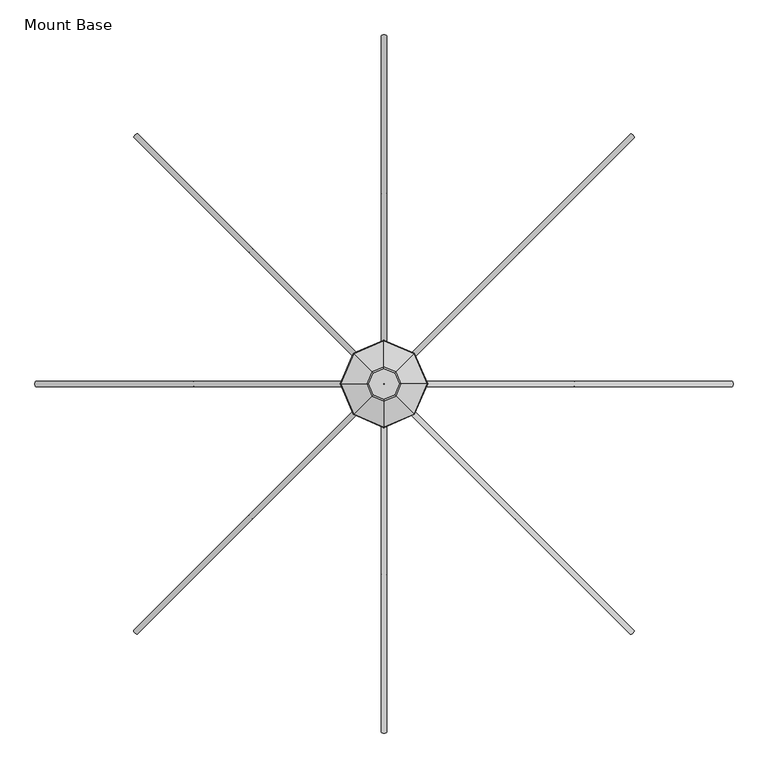
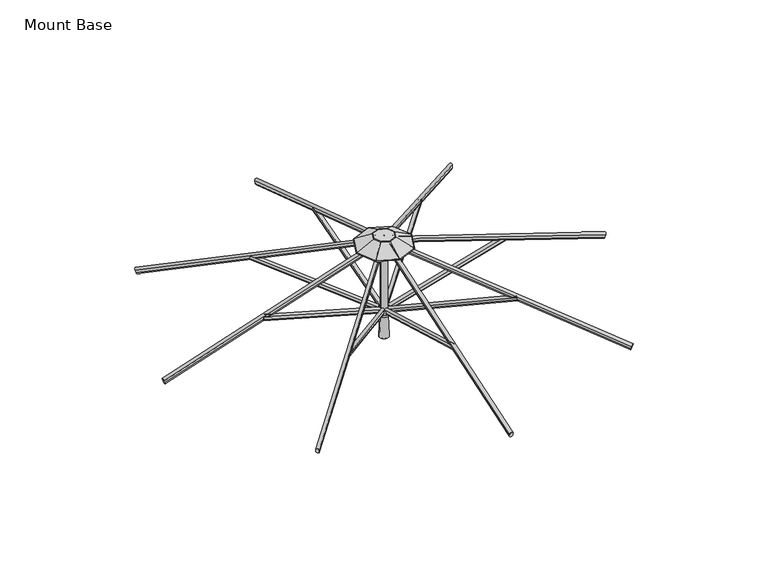
"""IFC4 building model written with IfcOpenShell, lengths in millimetres: furniture geometry, Mount Base."""

from ifc_helpers import new_model, si_unit, point, frame, frame_2d, origin, place, context, project, spatial, polyline, circle_curve, ellipse_curve, trimmed, segment, composite_curve, outline, extrude, source, transform, mapped, element, save
from ifc_brep_helpers import plane_surface, cylinder_surface, revolved_surface, advanced_brep


def mount_base_ec8eb699(model_context):
    return source(origin(), model_context, "Body", "SolidModel", [
        extrude(outline(composite_curve([segment(polyline([(12.9834408, -8.4804821), (12.9834408, -22.8946349)]), True, "CONTINUOUS"), segment(trimmed(circle_curve(frame_2d((4.0299408, -22.8946349)), 8.9535), [point((12.9834408, -22.8946349))], [point((-4.9235592, -22.8946349))], False, "CARTESIAN"), True, "CONTINUOUS"), segment(polyline([(-4.9235592, -22.8946349), (-4.9235592, -8.4804821)]), True, "CONTINUOUS"), segment(trimmed(circle_curve(frame_2d((4.0299408, -8.4804821)), 8.9535), [point((-4.9235592, -8.4804821))], [point((12.9834408, -8.4804821))], False, "CARTESIAN"), True, "CONTINUOUS")], self_intersect=False)), frame((4.0299408, -32.8443862, 2016.9430412), z_axis=(0.0, -0.9618942046764378, 0.2734219066020191), x_axis=(-1.0, 0.0, 0.0)), (0.0, 0.0, 1.0), 673.1),
        extrude(outline(composite_curve([segment(polyline([(12.9834408, -8.4804821), (12.9834408, -22.8946349)]), True, "CONTINUOUS"), segment(trimmed(circle_curve(frame_2d((4.0299408, -22.8946349)), 8.9535), [point((12.9834408, -22.8946349))], [point((-4.9235592, -22.8946349))], False, "CARTESIAN"), True, "CONTINUOUS"), segment(polyline([(-4.9235592, -22.8946349), (-4.9235592, -8.4804821)]), True, "CONTINUOUS"), segment(trimmed(circle_curve(frame_2d((4.0299408, -8.4804821)), 8.9535), [point((-4.9235592, -8.4804821))], [point((12.9834408, -8.4804821))], False, "CARTESIAN"), True, "CONTINUOUS")], self_intersect=False)), frame((-28.8144454, -8.0598816, 2016.9430412), z_axis=(-0.9618942046764378, 0.0, 0.2734219066020191), x_axis=(0.0, 1.0, 0.0)), (0.0, 0.0, 1.0), 673.1),
        extrude(outline(composite_curve([segment(polyline([(12.9834408, -8.4804821), (12.9834408, -22.8946349)]), True, "CONTINUOUS"), segment(trimmed(circle_curve(frame_2d((4.0299408, -22.8946349)), 8.9535), [point((12.9834408, -22.8946349))], [point((-4.9235592, -22.8946349))], False, "CARTESIAN"), True, "CONTINUOUS"), segment(polyline([(-4.9235592, -22.8946349), (-4.9235592, -8.4804821)]), True, "CONTINUOUS"), segment(trimmed(circle_curve(frame_2d((4.0299408, -8.4804821)), 8.9535), [point((-4.9235592, -8.4804821))], [point((12.9834408, -8.4804821))], False, "CARTESIAN"), True, "CONTINUOUS")], self_intersect=False)), frame((-4.0299408, 24.7845046, 2016.9430412), z_axis=(0.0, 0.9618942046764378, 0.2734219066020191), x_axis=(1.0, 0.0, 0.0)), (0.0, 0.0, 1.0), 673.1),
        extrude(outline(composite_curve([segment(trimmed(circle_curve(frame_2d((4.0299408, 7.3267917)), 8.9535), [point((12.9834408, 7.3267917))], [point((-4.9235592, 7.3267917))], False, "CARTESIAN"), True, "CONTINUOUS"), segment(polyline([(-4.9235592, 7.3267917), (-4.9235592, 21.7411303)]), True, "CONTINUOUS"), segment(trimmed(circle_curve(frame_2d((4.0299408, 21.7411303)), 8.9535), [point((-4.9235592, 21.7411303))], [point((12.9834408, 21.7411303))], False, "CARTESIAN"), True, "CONTINUOUS"), segment(polyline([(12.9834408, 21.7411303), (12.9834408, 7.3267917)]), True, "CONTINUOUS")], self_intersect=False)), frame((4.0299408, -1221.9652781, 2021.9166491), z_axis=(0.0, 0.9498609859621477, 0.31267252413190505), x_axis=(-1.0, 0.0, 0.0)), (0.0, 0.0, 1.0), 1244.6),
        extrude(outline(composite_curve([segment(trimmed(circle_curve(frame_2d((4.0299408, 7.3267917)), 8.9535), [point((12.9834408, 7.3267917))], [point((-4.9235592, 7.3267917))], False, "CARTESIAN"), True, "CONTINUOUS"), segment(polyline([(-4.9235592, 7.3267917), (-4.9235592, 21.7411303)]), True, "CONTINUOUS"), segment(trimmed(circle_curve(frame_2d((4.0299408, 21.7411303)), 8.9535), [point((-4.9235592, 21.7411303))], [point((12.9834408, 21.7411303))], False, "CARTESIAN"), True, "CONTINUOUS"), segment(polyline([(12.9834408, 21.7411303), (12.9834408, 7.3267917)]), True, "CONTINUOUS")], self_intersect=False)), frame((-1217.9353374, -8.0598816, 2021.9166491), z_axis=(0.9498609859621477, 0.0, 0.31267252413190505), x_axis=(0.0, 1.0, 0.0)), (0.0, 0.0, 1.0), 1244.6),
        extrude(outline(composite_curve([segment(trimmed(circle_curve(frame_2d((4.0299408, 7.3267917)), 8.9535), [point((12.9834408, 7.3267917))], [point((-4.9235592, 7.3267917))], False, "CARTESIAN"), True, "CONTINUOUS"), segment(polyline([(-4.9235592, 7.3267917), (-4.9235592, 21.7411303)]), True, "CONTINUOUS"), segment(trimmed(circle_curve(frame_2d((4.0299408, 21.7411303)), 8.9535), [point((-4.9235592, 21.7411303))], [point((12.9834408, 21.7411303))], False, "CARTESIAN"), True, "CONTINUOUS"), segment(polyline([(12.9834408, 21.7411303), (12.9834408, 7.3267917)]), True, "CONTINUOUS")], self_intersect=False)), frame((-4.0299408, 1213.9053966, 2021.9166491), z_axis=(0.0, -0.9498609859621477, 0.31267252413190505), x_axis=(1.0, 0.0, 0.0)), (0.0, 0.0, 1.0), 1244.6),
        extrude(outline(composite_curve([segment(trimmed(circle_curve(frame_2d((4.0299408, 7.3267917)), 8.9535), [point((12.9834408, 7.3267917))], [point((-4.9235592, 7.3267917))], False, "CARTESIAN"), True, "CONTINUOUS"), segment(polyline([(-4.9235592, 7.3267917), (-4.9235592, 21.7411303)]), True, "CONTINUOUS"), segment(trimmed(circle_curve(frame_2d((4.0299408, 21.7411303)), 8.9535), [point((-4.9235592, 21.7411303))], [point((12.9834408, 21.7411303))], False, "CARTESIAN"), True, "CONTINUOUS"), segment(polyline([(12.9834408, 21.7411303), (12.9834408, 7.3267917)]), True, "CONTINUOUS")], self_intersect=False)), frame((1217.9353374, 0.0, 2021.9166491), z_axis=(-0.9498609859621477, 0.0, 0.31267252413190505), x_axis=(0.0, -1.0, 0.0)), (0.0, 0.0, 1.0), 1244.6),
        extrude(outline(composite_curve([segment(polyline([(12.9834408, -8.4804821), (12.9834408, -22.8946349)]), True, "CONTINUOUS"), segment(trimmed(circle_curve(frame_2d((4.0299408, -22.8946349)), 8.9535), [point((12.9834408, -22.8946349))], [point((-4.9235592, -22.8946349))], False, "CARTESIAN"), True, "CONTINUOUS"), segment(polyline([(-4.9235592, -22.8946349), (-4.9235592, -8.4804821)]), True, "CONTINUOUS"), segment(trimmed(circle_curve(frame_2d((4.0299408, -8.4804821)), 8.9535), [point((-4.9235592, -8.4804821))], [point((12.9834408, -8.4804821))], False, "CARTESIAN"), True, "CONTINUOUS")], self_intersect=False)), frame((28.8144454, 0.0, 2016.9430412), z_axis=(0.9618942046764378, 0.0, 0.2734219066020191), x_axis=(0.0, -1.0, 0.0)), (0.0, 0.0, 1.0), 673.1),
        extrude(outline(composite_curve([segment(trimmed(circle_curve(frame_2d((-0.4115858, 9.2017124)), 8.947892), [point((8.536306, 9.1998745))], [point((-9.3594776, 9.2035502))], False, "CARTESIAN"), True, "CONTINUOUS"), segment(polyline([(-9.3594776, 9.2035502), (-9.3565684, 23.3657902)]), True, "CONTINUOUS"), segment(trimmed(circle_curve(frame_2d((-0.4086766, 23.3654226)), 8.9478918), [point((-9.3565684, 23.3657902))], [point((8.5392153, 23.3654226))], False, "CARTESIAN"), True, "CONTINUOUS"), segment(polyline([(8.5392153, 23.3654226), (8.536306, 9.1998745)]), True, "CONTINUOUS")], self_intersect=False)), frame((22.5882702, -26.6262435, 2018.2404158), z_axis=(0.6795938189832164, -0.6798354869216663, 0.27563735581700183), x_axis=(0.7072324735233075, 0.7069810665032723, 0.0)), (0.0, 0.0, 1.0), 662.5262868),
        extrude(outline(composite_curve([segment(trimmed(circle_curve(frame_2d((-0.4115858, 9.2017124)), 8.947892), [point((8.536306, 9.1998747))], [point((-9.3594776, 9.2035504))], False, "CARTESIAN"), True, "CONTINUOUS"), segment(polyline([(-9.3594776, 9.2035504), (-9.3565681, 23.3657902)]), True, "CONTINUOUS"), segment(trimmed(circle_curve(frame_2d((-0.4086766, 23.3654226)), 8.9478915), [point((-9.3565681, 23.3657902))], [point((8.5392148, 23.3654226))], False, "CARTESIAN"), True, "CONTINUOUS"), segment(polyline([(8.5392148, 23.3654226), (8.536306, 9.1998747)]), True, "CONTINUOUS")], self_intersect=False)), frame((-22.5963027, -26.618211, 2018.2404158), z_axis=(-0.6798354869216743, -0.6795938189832084, 0.2756373558170019), x_axis=(0.706981066503264, -0.7072324735233159, 0.0)), (0.0, 0.0, 1.0), 662.5262868),
        extrude(outline(composite_curve([segment(trimmed(circle_curve(frame_2d((-0.4115857, 9.2017124)), 8.947892), [point((8.536306, 9.1998748))], [point((-9.3594775, 9.2035504))], False, "CARTESIAN"), True, "CONTINUOUS"), segment(polyline([(-9.3594775, 9.2035504), (-9.356568, 23.3657902)]), True, "CONTINUOUS"), segment(trimmed(circle_curve(frame_2d((-0.4086765, 23.3654227)), 8.9478915), [point((-9.356568, 23.3657902))], [point((8.5392149, 23.3654227))], False, "CARTESIAN"), True, "CONTINUOUS"), segment(polyline([(8.5392149, 23.3654227), (8.536306, 9.1998748)]), True, "CONTINUOUS")], self_intersect=False)), frame((-22.5882702, 18.566362, 2018.2404158), z_axis=(-0.6795938189832139, 0.6798354869216688, 0.2756373558170019), x_axis=(-0.7072324735233101, -0.7069810665032696, 0.0)), (0.0, 0.0, 1.0), 662.5262868),
        extrude(outline(composite_curve([segment(trimmed(circle_curve(frame_2d((-0.4115858, 9.2017124)), 8.947892), [point((8.536306, 9.1998747))], [point((-9.3594776, 9.2035504))], False, "CARTESIAN"), True, "CONTINUOUS"), segment(polyline([(-9.3594776, 9.2035504), (-9.356568, 23.3657902)]), True, "CONTINUOUS"), segment(trimmed(circle_curve(frame_2d((-0.4086766, 23.3654226)), 8.9478915), [point((-9.356568, 23.3657902))], [point((8.5392148, 23.3654226))], False, "CARTESIAN"), True, "CONTINUOUS"), segment(polyline([(8.5392148, 23.3654226), (8.536306, 9.1998747)]), True, "CONTINUOUS")], self_intersect=False)), frame((22.5963027, 18.5583294, 2018.2404158), z_axis=(0.6798354869216633, 0.6795938189832195, 0.2756373558170019), x_axis=(-0.7069810665032754, 0.7072324735233043, 0.0)), (0.0, 0.0, 1.0), 662.5262868),
        extrude(outline(composite_curve([segment(trimmed(circle_curve(frame_2d((0.0454337, -8.9661607)), 8.9535016), [point((-8.9080678, -8.9644053))], [point((8.9989351, -8.9679162))], False, "CARTESIAN"), True, "CONTINUOUS"), segment(polyline([(8.9989351, -8.9679162), (8.9961217, -23.3170803)]), True, "CONTINUOUS"), segment(trimmed(circle_curve(frame_2d((0.0426202, -23.3153248)), 8.9535016), [point((8.9961217, -23.3170803))], [point((-8.9108812, -23.3135693))], False, "CARTESIAN"), True, "CONTINUOUS"), segment(polyline([(-8.9108812, -23.3135693), (-8.9080678, -8.9644053)]), True, "CONTINUOUS")], self_intersect=False)), frame((867.9020746, -872.3147843, 2016.7551217), z_axis=(-0.6716221233501685, 0.671622123350226, 0.3128057653770867), x_axis=(0.7071067811865779, 0.7071067811865173, 0.0)), (0.0, 0.0, 1.0), 1244.6),
        extrude(outline(composite_curve([segment(trimmed(circle_curve(frame_2d((0.0454336, -8.9661607)), 8.9535016), [point((-8.9080679, -8.9644053))], [point((8.998935, -8.9679162))], False, "CARTESIAN"), True, "CONTINUOUS"), segment(polyline([(8.998935, -8.9679162), (8.9961217, -23.3170803)]), True, "CONTINUOUS"), segment(trimmed(circle_curve(frame_2d((0.0426202, -23.3153248)), 8.9535016), [point((8.9961217, -23.3170803))], [point((-8.9108812, -23.3135693))], False, "CARTESIAN"), True, "CONTINUOUS"), segment(polyline([(-8.9108812, -23.3135693), (-8.9080679, -8.9644053)]), True, "CONTINUOUS")], self_intersect=False)), frame((-868.2848435, -871.9320154, 2016.7551217), z_axis=(0.6716221233502339, 0.6716221233501605, 0.3128057653770868), x_axis=(0.7071067811865089, -0.7071067811865861, 0.0)), (0.0, 0.0, 1.0), 1244.6),
        extrude(outline(composite_curve([segment(trimmed(circle_curve(frame_2d((0.0454336, -8.9661607)), 8.9535016), [point((-8.9080679, -8.9644053))], [point((8.9989351, -8.9679162))], False, "CARTESIAN"), True, "CONTINUOUS"), segment(polyline([(8.9989351, -8.9679162), (8.9961217, -23.3170803)]), True, "CONTINUOUS"), segment(trimmed(circle_curve(frame_2d((0.0426202, -23.3153248)), 8.9535016), [point((8.9961217, -23.3170803))], [point((-8.9108812, -23.3135693))], False, "CARTESIAN"), True, "CONTINUOUS"), segment(polyline([(-8.9108812, -23.3135693), (-8.9080679, -8.9644053)]), True, "CONTINUOUS")], self_intersect=False)), frame((-867.9020746, 864.2549027, 2016.7551217), z_axis=(0.671622123350166, -0.6716221233502285, 0.31280576537708676), x_axis=(-0.7071067811865804, -0.7071067811865146, 0.0)), (0.0, 0.0, 1.0), 1244.6),
        extrude(outline(composite_curve([segment(trimmed(circle_curve(frame_2d((0.0454336, -8.9661607)), 8.9535016), [point((-8.9080679, -8.9644053))], [point((8.9989351, -8.9679162))], False, "CARTESIAN"), True, "CONTINUOUS"), segment(polyline([(8.9989351, -8.9679162), (8.9961217, -23.3170803)]), True, "CONTINUOUS"), segment(trimmed(circle_curve(frame_2d((0.0426202, -23.3153248)), 8.9535016), [point((8.9961217, -23.3170803))], [point((-8.9108812, -23.3135694))], False, "CARTESIAN"), True, "CONTINUOUS"), segment(polyline([(-8.9108812, -23.3135694), (-8.9080679, -8.9644053)]), True, "CONTINUOUS")], self_intersect=False)), frame((868.2848435, 863.8721338, 2016.7551217), z_axis=(-0.6716221233502231, -0.6716221233501715, 0.3128057653770867), x_axis=(-0.7071067811865205, 0.7071067811865748, 0.0)), (0.0, 0.0, 1.0), 1244.6),
        advanced_brep(
        [(-19.05, -4.0299408, 2413.8101034), (19.05, -4.0299408, 2413.8101034), (19.05, -4.0299408, 2037.8474413), (-19.05, -4.0299408, 2037.8474413), (0.0, -4.0299408, 2413.8101034), (0.0, -4.0299408, 2037.8474413)],
        [
            (0, 1, circle_curve(frame((0.0, -4.0299408, 2413.8101034), z_axis=(0.0, 0.0, -1.0), x_axis=(1.0, 0.0, 0.0)), 19.05)),
            (1, 2),
            (2, 3, circle_curve(frame((0.0, -4.0299408, 2037.8474413), z_axis=(0.0, 0.0, 1.0), x_axis=(1.0, 0.0, 0.0)), 19.05)),
            (3, 0),
            (1, 0, circle_curve(frame((0.0, -4.0299408, 2413.8101034), z_axis=(0.0, 0.0, -1.0), x_axis=(1.0, 0.0, 0.0)), 19.05)),
            (3, 2, circle_curve(frame((0.0, -4.0299408, 2037.8474413), z_axis=(0.0, 0.0, 1.0), x_axis=(1.0, 0.0, 0.0)), 19.05)),
            (4, 1),
            (0, 4),
            (2, 5),
            (5, 3),
        ],
        [
            cylinder_surface(frame((0.0, -4.0299408, 2414.0159748), z_axis=(0.0, 0.0, 1.0), x_axis=(1.0, 0.0, 0.0)), 19.05),
            plane_surface(frame((0.0, -4.0299408, 2413.8101034), z_axis=(0.0, 0.0, 1.0), x_axis=(1.0, 0.0, 0.0))),
            plane_surface(frame((0.0, -4.0299408, 2037.8474413), z_axis=(0.0, 0.0, -1.0), x_axis=(1.0, 0.0, 0.0))),
        ],
        [
            (0, [[1, 2, 3, 4]]),
            (0, [[5, -4, 6, -2]]),
            (1, [[7, -1, 8]]),
            (1, [[-8, -5, -7]]),
            (2, [[-3, 9, 10]]),
            (2, [[-6, -10, -9]]),
        ],
    ),
        advanced_brep(
        [(-24.3041832, -4.0299408, 1872.9627429), (24.3041832, -4.0299408, 1872.9627429), (0.0, -4.0299408, 1872.9627429), (-25.317844, -4.0299408, 1873.9764037), (25.317844, -4.0299408, 1873.9764037), (-20.5098559, -4.0299408, 1995.8898279), (20.5098559, -4.0299408, 1995.8898279), (-23.0187508, -4.0299408, 1995.8898279), (23.0187508, -4.0299408, 1995.8898279), (-30.4482505, -4.0299408, 2013.6380178), (30.4482505, -4.0299408, 2013.6380178), (-30.4482505, -4.0299408, 2039.0380663), (30.4482505, -4.0299408, 2039.0380663), (0.0, -4.0299408, 2039.0380663)],
        [
            (0, 1, circle_curve(frame((0.0, -4.0299408, 1872.9627429), z_axis=(0.0, 0.0, -1.0), x_axis=(1.0, 0.0, 0.0)), 24.3041832)),
            (1, 2),
            (2, 0),
            (1, 0, circle_curve(frame((0.0, -4.0299408, 1872.9627429), z_axis=(0.0, 0.0, -1.0), x_axis=(1.0, 0.0, 0.0)), 24.3041832)),
            (3, 4, circle_curve(frame((0.0, -4.0299408, 1873.9764037), z_axis=(0.0, 0.0, -1.0), x_axis=(1.0, 0.0, 0.0)), 25.317844)),
            (4, 1),
            (0, 3),
            (4, 3, circle_curve(frame((0.0, -4.0299408, 1873.9764037), z_axis=(0.0, 0.0, -1.0), x_axis=(1.0, 0.0, 0.0)), 25.317844)),
            (5, 6, circle_curve(frame((0.0, -4.0299408, 1995.8898279), z_axis=(0.0, 0.0, -1.0), x_axis=(1.0, 0.0, 0.0)), 20.5098559)),
            (6, 4),
            (3, 5),
            (6, 5, circle_curve(frame((0.0, -4.0299408, 1995.8898279), z_axis=(0.0, 0.0, -1.0), x_axis=(1.0, 0.0, 0.0)), 20.5098559)),
            (7, 8, circle_curve(frame((0.0, -4.0299408, 1995.8898279), z_axis=(0.0, 0.0, -1.0), x_axis=(1.0, 0.0, 0.0)), 23.0187508)),
            (8, 6),
            (5, 7),
            (8, 7, circle_curve(frame((0.0, -4.0299408, 1995.8898279), z_axis=(0.0, 0.0, -1.0), x_axis=(1.0, 0.0, 0.0)), 23.0187508)),
            (9, 10, circle_curve(frame((0.0, -4.0299408, 2013.6380178), z_axis=(0.0, 0.0, -1.0), x_axis=(1.0, 0.0, 0.0)), 30.4482505)),
            (10, 8, circle_curve(frame((15.3691688, -4.0299408, 2009.521101), z_axis=(0.0, 1.0, 0.0), x_axis=(1.0, 0.0, 0.0)), 15.6309856)),
            (7, 9, circle_curve(frame((-15.3691688, -4.0299408, 2009.521101), z_axis=(0.0, 1.0, 0.0), x_axis=(-1.0, 0.0, 0.0)), 15.6309856)),
            (10, 9, circle_curve(frame((0.0, -4.0299408, 2013.6380178), z_axis=(0.0, 0.0, -1.0), x_axis=(1.0, 0.0, 0.0)), 30.4482505)),
            (11, 12, circle_curve(frame((0.0, -4.0299408, 2039.0380663), z_axis=(0.0, 0.0, -1.0), x_axis=(1.0, 0.0, 0.0)), 30.4482505)),
            (12, 10, circle_curve(frame((24.5799245, -4.0299408, 2026.338042), z_axis=(0.0, 1.0, 0.0), x_axis=(1.0, 0.0, 0.0)), 13.9902775)),
            (9, 11, circle_curve(frame((-24.5799245, -4.0299408, 2026.338042), z_axis=(0.0, 1.0, 0.0), x_axis=(-1.0, 0.0, 0.0)), 13.9902775)),
            (12, 11, circle_curve(frame((0.0, -4.0299408, 2039.0380663), z_axis=(0.0, 0.0, -1.0), x_axis=(1.0, 0.0, 0.0)), 30.4482505)),
            (13, 12),
            (11, 13),
        ],
        [
            plane_surface(frame((0.0, -4.0299408, 1872.9627429), z_axis=(0.0, 0.0, -1.0), x_axis=(1.0, 0.0, 0.0))),
            revolved_surface(polyline([(24.3041832, -4.0299408, 1872.9627429), (25.317844, -4.0299408, 1873.9764037)]), (0.0, -4.0299408, 2210.5193844), (0.0, 0.0, 1.0)),
            revolved_surface(polyline([(25.317844, -4.0299408, 1873.9764037), (20.5098559, -4.0299408, 1995.8898279)]), (0.0, -4.0299408, 2210.5193844), (0.0, 0.0, 1.0)),
            plane_surface(frame((0.0, -4.0299408, 1995.8898279), z_axis=(0.0, 0.0, -1.0), x_axis=(1.0, 0.0, 0.0))),
            revolved_surface(trimmed(ellipse_curve(frame((15.3691688, -4.0299408, 2009.521101), z_axis=(0.0, -1.0, 0.0), x_axis=(1.0, 0.0, 0.0)), 15.6309856, 15.6309856), [point((23.0187508, -4.0299408, 1995.8898279))], [point((30.4482505, -4.0299408, 2013.6380178))], True, "CARTESIAN"), (0.0, -4.0299408, 2210.5193844), (0.0, 0.0, 1.0)),
            revolved_surface(trimmed(ellipse_curve(frame((24.5799245, -4.0299408, 2026.338042), z_axis=(0.0, -1.0, 0.0), x_axis=(1.0, 0.0, 0.0)), 13.9902775, 13.9902775), [point((30.4482505, -4.0299408, 2013.6380178))], [point((30.4482505, -4.0299408, 2039.0380663))], True, "CARTESIAN"), (0.0, -4.0299408, 2210.5193844), (0.0, 0.0, 1.0)),
            plane_surface(frame((0.0, -4.0299408, 2039.0380663), z_axis=(0.0, 0.0, 1.0), x_axis=(1.0, 0.0, 0.0))),
        ],
        [
            (0, [[1, 2, 3]]),
            (0, [[4, -3, -2]]),
            (1, [[5, 6, -1, 7]]),
            (1, [[8, -7, -4, -6]]),
            (2, [[9, 10, -5, 11]]),
            (2, [[12, -11, -8, -10]]),
            (3, [[13, 14, -9, 15]]),
            (3, [[16, -15, -12, -14]]),
            (4, [[17, 18, -13, 19]]),
            (4, [[20, -19, -16, -18]]),
            (5, [[21, 22, -17, 23]]),
            (5, [[24, -23, -20, -22]]),
            (6, [[25, -21, 26]]),
            (6, [[-26, -24, -25]]),
        ],
    ),
        advanced_brep(
        [(-50.6448461, -4.0299408, 2413.0), (50.6448461, -4.0299408, 2413.0), (0.0, -4.0299408, 2413.0), (-50.6448461, -4.0299408, 2438.4), (50.6448461, -4.0299408, 2438.4), (0.0, -4.0299408, 2438.4)],
        [
            (0, 1, circle_curve(frame((0.0, -4.0299408, 2413.0), z_axis=(0.0, 0.0, -1.0), x_axis=(1.0, 0.0, 0.0)), 50.6448461)),
            (1, 2),
            (2, 0),
            (1, 0, circle_curve(frame((0.0, -4.0299408, 2413.0), z_axis=(0.0, 0.0, -1.0), x_axis=(1.0, 0.0, 0.0)), 50.6448461)),
            (3, 4, circle_curve(frame((0.0, -4.0299408, 2438.4), z_axis=(0.0, 0.0, -1.0), x_axis=(1.0, 0.0, 0.0)), 50.6448461)),
            (4, 1, circle_curve(frame((50.6448461, -4.0299408, 2425.7), z_axis=(0.0, 1.0, 0.0), x_axis=(1.0, 0.0, 0.0)), 12.7)),
            (0, 3, circle_curve(frame((-50.6448461, -4.0299408, 2425.7), z_axis=(0.0, 1.0, 0.0), x_axis=(-1.0, 0.0, 0.0)), 12.7)),
            (4, 3, circle_curve(frame((0.0, -4.0299408, 2438.4), z_axis=(0.0, 0.0, -1.0), x_axis=(1.0, 0.0, 0.0)), 50.6448461)),
            (5, 4),
            (3, 5),
        ],
        [
            plane_surface(frame((0.0, -4.0299408, 2413.0), z_axis=(0.0, 0.0, -1.0), x_axis=(1.0, 0.0, 0.0))),
            revolved_surface(trimmed(ellipse_curve(frame((50.6448461, -4.0299408, 2425.7), z_axis=(0.0, -1.0, 0.0), x_axis=(1.0, 0.0, 0.0)), 12.7, 12.7), [point((50.6448461, -4.0299408, 2413.0))], [point((50.6448461, -4.0299408, 2438.4))], True, "CARTESIAN"), (0.0, -4.0299408, 2520.9500484), (0.0, 0.0, 1.0)),
            plane_surface(frame((0.0, -4.0299408, 2438.4), z_axis=(0.0, 0.0, 1.0), x_axis=(1.0, 0.0, 0.0))),
        ],
        [
            (0, [[1, 2, 3]]),
            (0, [[4, -3, -2]]),
            (1, [[5, 6, -1, 7]]),
            (1, [[8, -7, -4, -6]]),
            (2, [[9, -5, 10]]),
            (2, [[-10, -8, -9]]),
        ],
    ),
        advanced_brep(
        [(54.1349752, -4.0299408, 2462.88368), (37.769035, 33.7390942, 2462.88368), (0.0, 50.1050344, 2462.88368), (-37.769035, 33.7390942, 2462.88368), (-54.1349752, -4.0299408, 2462.88368), (-37.769035, -41.7989758, 2462.88368), (0.0, -58.164916, 2462.88368), (37.769035, -41.7989758, 2462.88368), (-0.2799193, -3.7500215, 2462.88368), (0.0, -3.6287279, 2462.88368), (0.2799193, -3.7500215, 2462.88368), (0.4012128, -4.0299408, 2462.88368), (0.2799193, -4.30986, 2462.88368), (0.0, -4.4311536, 2462.88368), (-0.2799193, -4.30986, 2462.88368), (-0.4012128, -4.0299408, 2462.88368), (-19.5795789, 15.5496381, 2449.3082423), (0.0, 24.0337897, 2449.3082423), (19.5795789, 15.5496381, 2449.3082423), (28.0637305, -4.0299408, 2449.3082423), (19.5795789, -23.6095197, 2449.3082423), (0.0, -32.0936713, 2449.3082423), (-19.5795789, -23.6095197, 2449.3082423), (-28.0637305, -4.0299408, 2449.3082423), (0.4012128, -4.0299408, 2449.3082423), (0.2799193, -3.7500215, 2449.3082423), (0.0, -3.6287279, 2449.3082423), (-0.2799193, -3.7500215, 2449.3082423), (-0.4012128, -4.0299408, 2449.3082423), (-0.2799193, -4.30986, 2449.3082423), (0.0, -4.4311536, 2449.3082423), (0.2799193, -4.30986, 2449.3082423), (-105.0435454, 101.0136047, 2409.5509113), (-150.5606308, -4.0299408, 2409.5509113), (-106.4167753, 102.3868345, 2413.5067682), (-152.5289035, -4.0299408, 2413.5067682), (-42.5385208, 38.50858, 2461.2265187), (-60.9711572, -4.0299408, 2461.2265187), (-105.0435454, -109.0734862, 2409.5509113), (-106.4167753, -110.4467161, 2413.5067682), (-42.5385208, -46.5684616, 2461.2265187), (0.0, -154.5905715, 2409.5509113), (0.0, -156.5588443, 2413.5067682), (0.0, -65.001098, 2461.2265187), (105.0435454, -109.0734862, 2409.5509113), (106.4167753, -110.4467161, 2413.5067682), (42.5385208, -46.5684616, 2461.2265187), (150.5606308, -4.0299408, 2409.5509113), (152.5289035, -4.0299408, 2413.5067682), (60.9711572, -4.0299408, 2461.2265187), (105.0435454, 101.0136047, 2409.5509113), (106.4167753, 102.3868345, 2413.5067682), (42.5385208, 38.50858, 2461.2265187), (0.0, 146.53069, 2409.5509113), (0.0, 148.4989628, 2413.5067682), (0.0, 56.9412164, 2461.2265187)],
        [
            (0, 1),
            (1, 2),
            (2, 3),
            (3, 4),
            (4, 5),
            (5, 6),
            (6, 7),
            (7, 0),
            (8, 9),
            (9, 10),
            (10, 11),
            (11, 12),
            (12, 13),
            (13, 14),
            (14, 15),
            (15, 8),
            (16, 17),
            (17, 18),
            (18, 19),
            (19, 20),
            (20, 21),
            (21, 22),
            (22, 23),
            (23, 16),
            (24, 25),
            (25, 26),
            (26, 27),
            (27, 28),
            (28, 29),
            (29, 30),
            (30, 31),
            (31, 24),
            (27, 8),
            (15, 28),
            (14, 29),
            (13, 30),
            (12, 31),
            (11, 24),
            (10, 25),
            (9, 26),
            (32, 16),
            (23, 33),
            (33, 32),
            (34, 32, ellipse_curve(frame((-105.5970199, 101.5670791, 2411.6087803), z_axis=(-0.7071067811865479, -0.707106781186547, 0.0), x_axis=(-0.7071067811865467, 0.7071067811865482, 0.0)), 2.3472226, 2.1828125)),
            (33, 35, ellipse_curve(frame((-151.3539348, -4.0299408, 2411.6087803), z_axis=(0.0, 0.9999999999999999, 0.0), x_axis=(1.0, 0.0, 0.0)), 2.3789282, 2.1828125)),
            (35, 34),
            (36, 34),
            (35, 37),
            (37, 36),
            (3, 36, ellipse_curve(frame((-37.769035, 33.7390942, 2450.18368), z_axis=(-0.7071067811865479, -0.707106781186547, 0.0), x_axis=(-0.7071067811865467, 0.7071067811865482, 0.0)), 13.656568, 12.7)),
            (37, 4, ellipse_curve(frame((-54.1349752, -4.0299408, 2450.18368), z_axis=(0.0, 0.9999999999999999, 0.0), x_axis=(1.0, 0.0, 0.0)), 13.8410369, 12.7)),
            (22, 38),
            (38, 33),
            (38, 39, ellipse_curve(frame((-105.5970199, -109.6269607, 2411.6087803), z_axis=(-0.707106781186547, 0.707106781186548, 0.0), x_axis=(0.7071067811865479, 0.707106781186547, 0.0)), 2.3472226, 2.1828125)),
            (39, 35),
            (39, 40),
            (40, 37),
            (40, 5, ellipse_curve(frame((-37.769035, -41.7989758, 2450.18368), z_axis=(-0.707106781186547, 0.707106781186548, 0.0), x_axis=(0.7071067811865479, 0.707106781186547, 0.0)), 13.656568, 12.7)),
            (21, 41),
            (41, 38),
            (41, 42, ellipse_curve(frame((0.0, -155.3838756, 2411.6087803), z_axis=(-0.9999999999999999, 0.0, 0.0), x_axis=(0.0, 1.0, 0.0)), 2.3789282, 2.1828125)),
            (42, 39),
            (42, 43),
            (43, 40),
            (43, 6, ellipse_curve(frame((0.0, -58.164916, 2450.18368), z_axis=(-0.9999999999999999, 0.0, 0.0), x_axis=(0.0, 1.0, 0.0)), 13.8410369, 12.7)),
            (20, 44),
            (44, 41),
            (44, 45, ellipse_curve(frame((105.5970199, -109.6269607, 2411.6087803), z_axis=(-0.707106781186548, -0.707106781186547, 0.0), x_axis=(-0.7071067811865469, 0.7071067811865481, 0.0)), 2.3472226, 2.1828125)),
            (45, 42),
            (45, 46),
            (46, 43),
            (46, 7, ellipse_curve(frame((37.769035, -41.7989758, 2450.18368), z_axis=(-0.707106781186548, -0.707106781186547, 0.0), x_axis=(-0.7071067811865469, 0.7071067811865481, 0.0)), 13.656568, 12.7)),
            (19, 47),
            (47, 44),
            (47, 48, ellipse_curve(frame((151.3539348, -4.0299408, 2411.6087803), z_axis=(0.0, -1.0, 0.0), x_axis=(-1.0, 0.0, 0.0)), 2.3789282, 2.1828125)),
            (48, 45),
            (48, 49),
            (49, 46),
            (49, 0, ellipse_curve(frame((54.1349752, -4.0299408, 2450.18368), z_axis=(0.0, -1.0, 0.0), x_axis=(-1.0, 0.0, 0.0)), 13.8410369, 12.7)),
            (18, 50),
            (50, 47),
            (50, 51, ellipse_curve(frame((105.5970199, 101.5670791, 2411.6087803), z_axis=(0.707106781186547, -0.707106781186548, 0.0), x_axis=(-0.7071067811865478, -0.7071067811865471, 0.0)), 2.3472226, 2.1828125)),
            (51, 48),
            (51, 52),
            (52, 49),
            (52, 1, ellipse_curve(frame((37.769035, 33.7390942, 2450.18368), z_axis=(0.707106781186547, -0.707106781186548, 0.0), x_axis=(-0.7071067811865478, -0.7071067811865471, 0.0)), 13.656568, 12.7)),
            (17, 53),
            (53, 50),
            (53, 54, ellipse_curve(frame((0.0, 147.323994, 2411.6087803), z_axis=(0.9999999999999999, 0.0, 0.0), x_axis=(0.0, -1.0, 0.0)), 2.3789282, 2.1828125)),
            (54, 51),
            (54, 55),
            (55, 52),
            (55, 2, ellipse_curve(frame((0.0, 50.1050344, 2450.18368), z_axis=(0.9999999999999999, 0.0, 0.0), x_axis=(0.0, -1.0, 0.0)), 13.8410369, 12.7)),
            (32, 53),
            (34, 54),
            (36, 55),
        ],
        [
            plane_surface(frame((0.0, 50.1050344, 2462.88368), z_axis=(0.0, 0.0, 1.0000000000000002), x_axis=(-0.9175613115760063, -0.39759431522460076, 0.0))),
            plane_surface(frame((0.0, -3.6287279, 2449.3082423), z_axis=(0.0, 0.0, -1.0), x_axis=(-0.9175613115760027, -0.39759431522460875, 0.0))),
            plane_surface(frame((-0.2799193, -3.7500215, 2462.88368), z_axis=(0.91756131157602, -0.39759431522456923, 0.0), x_axis=(-0.39759431522456923, -0.91756131157602, 0.0))),
            plane_surface(frame((-0.4012128, -4.0299408, 2462.88368), z_axis=(0.9175613115760188, 0.39759431522457195, 0.0), x_axis=(0.39759431522457195, -0.9175613115760188, 0.0))),
            plane_surface(frame((-0.2799193, -4.30986, 2462.88368), z_axis=(0.3975943152245762, 0.9175613115760168, 0.0), x_axis=(0.9175613115760168, -0.3975943152245762, 0.0))),
            plane_surface(frame((0.0, -4.4311536, 2462.88368), z_axis=(-0.3975943152246069, 0.9175613115760036, 0.0), x_axis=(0.9175613115760036, 0.3975943152246069, 0.0))),
            plane_surface(frame((0.2799193, -4.30986, 2462.88368), z_axis=(-0.9175613115760135, 0.39759431522458394, 0.0), x_axis=(0.39759431522458394, 0.9175613115760135, 0.0))),
            plane_surface(frame((0.4012128, -4.0299408, 2462.88368), z_axis=(-0.9175613115760253, -0.3975943152245569, 0.0), x_axis=(-0.3975943152245569, 0.9175613115760253, 0.0))),
            plane_surface(frame((0.2799193, -3.7500215, 2462.88368), z_axis=(-0.3975943152244854, -0.9175613115760564, 0.0), x_axis=(-0.9175613115760564, 0.3975943152244854, 0.0))),
            plane_surface(frame((0.0, -3.6287279, 2462.88368), z_axis=(0.3975943152245434, -0.9175613115760312, 0.0), x_axis=(-0.9175613115760312, -0.3975943152245434, 0.0))),
            plane_surface(frame((-19.5795789, 15.5496381, 2449.3082423), z_axis=(0.30598025707488913, -0.1325862470977348, -0.942760292630594), x_axis=(-0.39759431522460126, -0.9175613115760061, 0.0))),
            cylinder_surface(frame((-105.3868278, 102.0521569, 2411.6087803), z_axis=(0.3975943152246023, 0.9175613115760056, 0.0), x_axis=(0.9175613115760056, -0.3975943152246023, 0.0)), 2.1828125),
            plane_surface(frame((-106.4167753, 102.3868345, 2413.5067682), z_axis=(-0.45318975110411563, 0.19637452722103046, 0.869514861605543), x_axis=(-0.3975943152246022, -0.9175613115760056, 0.0))),
            cylinder_surface(frame((-23.5363618, 66.5850121, 2450.18368), z_axis=(0.3975943152246023, 0.9175613115760056, 0.0), x_axis=(0.9175613115760056, -0.3975943152246023, 0.0)), 12.7),
            plane_surface(frame((-28.0637305, -4.0299408, 2449.3082423), z_axis=(0.30598025707488946, 0.13258624709773403, -0.9427602926305941), x_axis=(0.39759431522459887, -0.9175613115760072, 0.0))),
            cylinder_surface(frame((-151.5843032, -3.4983005, 2411.6087803), z_axis=(-0.39759431522459965, 0.9175613115760068, 0.0), x_axis=(0.9175613115760068, 0.39759431522459965, 0.0)), 2.1828125),
            plane_surface(frame((-152.5289035, -4.0299408, 2413.5067682), z_axis=(-0.4531897511041162, -0.19637452722102916, 0.869514861605543), x_axis=(0.39759431522459965, -0.9175613115760068, 0.0))),
            cylinder_surface(frame((-69.7338373, 31.9688443, 2450.18368), z_axis=(-0.39759431522459965, 0.9175613115760068, 0.0), x_axis=(0.9175613115760068, 0.39759431522459965, 0.0)), 12.7),
            plane_surface(frame((-19.5795789, -23.6095197, 2449.3082423), z_axis=(0.13258624709773473, 0.3059802570748891, -0.9427602926305941), x_axis=(0.9175613115760062, -0.3975943152246011, 0.0))),
            cylinder_surface(frame((-106.0820977, -109.4167685, 2411.6087803), z_axis=(-0.9175613115760063, 0.3975943152246009, 0.0), x_axis=(0.3975943152246009, 0.9175613115760063, 0.0)), 2.1828125),
            plane_surface(frame((-106.4167753, -110.4467161, 2413.5067682), z_axis=(-0.19637452722102977, -0.45318975110411586, 0.8695148616055431), x_axis=(0.9175613115760062, -0.39759431522460087, 0.0))),
            cylinder_surface(frame((-70.6149529, -27.5663026, 2450.18368), z_axis=(-0.9175613115760063, 0.3975943152246009, 0.0), x_axis=(0.3975943152246009, 0.9175613115760063, 0.0)), 12.7),
            plane_surface(frame((0.0, -32.0936713, 2449.3082423), z_axis=(-0.13258624709773462, 0.3059802570748891, -0.9427602926305941), x_axis=(0.9175613115760062, 0.3975943152246008, 0.0))),
            cylinder_surface(frame((-0.5316403, -155.614244, 2411.6087803), z_axis=(-0.9175613115760062, -0.3975943152246011, 0.0), x_axis=(-0.3975943152246011, 0.9175613115760062, 0.0)), 2.1828125),
            plane_surface(frame((0.0, -156.5588443, 2413.5067682), z_axis=(0.19637452722102977, -0.4531897511041159, 0.869514861605543), x_axis=(0.9175613115760063, 0.39759431522460087, 0.0))),
            cylinder_surface(frame((-35.9987851, -73.763778, 2450.18368), z_axis=(-0.9175613115760062, -0.3975943152246011, 0.0), x_axis=(-0.3975943152246011, 0.9175613115760062, 0.0)), 12.7),
            plane_surface(frame((19.5795789, -23.6095197, 2449.3082423), z_axis=(-0.305980257074889, 0.13258624709773467, -0.9427602926305942), x_axis=(0.39759431522460104, 0.9175613115760062, 0.0))),
            cylinder_surface(frame((105.3868278, -110.1120385, 2411.6087803), z_axis=(-0.3975943152246023, -0.9175613115760057, 0.0), x_axis=(-0.9175613115760057, 0.3975943152246023, 0.0)), 2.1828125),
            plane_surface(frame((106.4167753, -110.4467161, 2413.5067682), z_axis=(0.4531897511041155, -0.19637452722103052, 0.869514861605543), x_axis=(0.39759431522460237, 0.9175613115760055, 0.0))),
            cylinder_surface(frame((23.5363618, -74.6448937, 2450.18368), z_axis=(-0.3975943152246023, -0.9175613115760057, 0.0), x_axis=(-0.9175613115760057, 0.3975943152246023, 0.0)), 12.7),
            plane_surface(frame((28.0637305, -4.0299408, 2449.3082423), z_axis=(-0.30598025707488924, -0.1325862470977341, -0.942760292630594), x_axis=(-0.39759431522459926, 0.917561311576007, 0.0))),
            cylinder_surface(frame((151.5843032, -4.561581, 2411.6087803), z_axis=(0.39759431522459965, -0.9175613115760066, 0.0), x_axis=(-0.9175613115760066, -0.39759431522459965, 0.0)), 2.1828125),
            plane_surface(frame((152.5289035, -4.0299408, 2413.5067682), z_axis=(0.453189751104116, 0.19637452722102922, 0.8695148616055431), x_axis=(-0.3975943152245998, 0.9175613115760067, 0.0))),
            cylinder_surface(frame((69.7338373, -40.0287259, 2450.18368), z_axis=(0.39759431522459965, -0.9175613115760066, 0.0), x_axis=(-0.9175613115760066, -0.39759431522459965, 0.0)), 12.7),
            plane_surface(frame((19.5795789, 15.5496381, 2449.3082423), z_axis=(-0.13258624709773453, -0.30598025707488896, -0.9427602926305941), x_axis=(-0.9175613115760063, 0.39759431522460065, 0.0))),
            cylinder_surface(frame((106.0820977, 101.356887, 2411.6087803), z_axis=(0.9175613115760062, -0.3975943152246008, 0.0), x_axis=(-0.3975943152246008, -0.9175613115760062, 0.0)), 2.1828125),
            plane_surface(frame((106.4167753, 102.3868345, 2413.5067682), z_axis=(0.19637452722102983, 0.4531897511041157, 0.8695148616055433), x_axis=(-0.9175613115760062, 0.3975943152246011, 0.0))),
            cylinder_surface(frame((70.6149529, 19.506421, 2450.18368), z_axis=(0.9175613115760062, -0.3975943152246008, 0.0), x_axis=(-0.3975943152246008, -0.9175613115760062, 0.0)), 12.7),
            plane_surface(frame((0.0, 24.0337897, 2449.3082423), z_axis=(0.13258624709773456, -0.3059802570748891, -0.9427602926305941), x_axis=(-0.9175613115760064, -0.39759431522460065, 0.0))),
            cylinder_surface(frame((0.5316403, 147.5543624, 2411.6087803), z_axis=(0.9175613115760061, 0.39759431522460115, 0.0), x_axis=(0.39759431522460115, -0.9175613115760061, 0.0)), 2.1828125),
            plane_surface(frame((0.0, 148.4989628, 2413.5067682), z_axis=(-0.19637452722102983, 0.4531897511041158, 0.8695148616055431), x_axis=(-0.9175613115760062, -0.39759431522460104, 0.0))),
            cylinder_surface(frame((35.9987851, 65.7038965, 2450.18368), z_axis=(0.9175613115760061, 0.39759431522460115, 0.0), x_axis=(0.39759431522460115, -0.9175613115760061, 0.0)), 12.7),
        ],
        [
            (0, [[1, 2, 3, 4, 5, 6, 7, 8], [9, 10, 11, 12, 13, 14, 15, 16]]),
            (1, [[17, 18, 19, 20, 21, 22, 23, 24], [25, 26, 27, 28, 29, 30, 31, 32]]),
            (2, [[33, -16, 34, -28]]),
            (3, [[-34, -15, 35, -29]]),
            (4, [[-35, -14, 36, -30]]),
            (5, [[-36, -13, 37, -31]]),
            (6, [[-37, -12, 38, -32]]),
            (7, [[-38, -11, 39, -25]]),
            (8, [[-39, -10, 40, -26]]),
            (9, [[-40, -9, -33, -27]]),
            (10, [[41, -24, 42, 43]]),
            (11, [[44, -43, 45, 46]]),
            (12, [[47, -46, 48, 49]]),
            (13, [[50, -49, 51, -4]]),
            (14, [[-42, -23, 52, 53]]),
            (15, [[-45, -53, 54, 55]]),
            (16, [[-48, -55, 56, 57]]),
            (17, [[-51, -57, 58, -5]]),
            (18, [[-52, -22, 59, 60]]),
            (19, [[-54, -60, 61, 62]]),
            (20, [[-56, -62, 63, 64]]),
            (21, [[-58, -64, 65, -6]]),
            (22, [[-59, -21, 66, 67]]),
            (23, [[-61, -67, 68, 69]]),
            (24, [[-63, -69, 70, 71]]),
            (25, [[-65, -71, 72, -7]]),
            (26, [[-66, -20, 73, 74]]),
            (27, [[-68, -74, 75, 76]]),
            (28, [[-70, -76, 77, 78]]),
            (29, [[-72, -78, 79, -8]]),
            (30, [[-73, -19, 80, 81]]),
            (31, [[-75, -81, 82, 83]]),
            (32, [[-77, -83, 84, 85]]),
            (33, [[-79, -85, 86, -1]]),
            (34, [[-80, -18, 87, 88]]),
            (35, [[-82, -88, 89, 90]]),
            (36, [[-84, -90, 91, 92]]),
            (37, [[-86, -92, 93, -2]]),
            (38, [[-87, -17, -41, 94]]),
            (39, [[-89, -94, -44, 95]]),
            (40, [[-91, -95, -47, 96]]),
            (41, [[-93, -96, -50, -3]]),
        ],
    ),
    ])


if __name__ == "__main__":
    model = new_model("IFC4")
    model_context = context("Model", 3, world=origin())
    ifc_project = project(units=[si_unit("LENGTHUNIT", "METRE", prefix="MILLI")], contexts=[model_context])
    site = spatial("IfcSite", under=ifc_project)
    building = spatial("IfcBuilding", under=site)
    placement = place(None, origin())
    mount_base_shape = mount_base_ec8eb699(model_context)
    element("IfcFurniture", 1, ObjectType="Mount Base", at=placement, inside=building, context=model_context, shape_type="MappedRepresentation", body=[
        mapped(mount_base_shape, transform((0.0, 0.0, 0.0), x_axis=(1.0, 0.0, 0.0), y_axis=(0.0, 1.0, 0.0), z_axis=(0.0, 0.0, 1.0))),
    ])
    save(model, "model.ifc")
